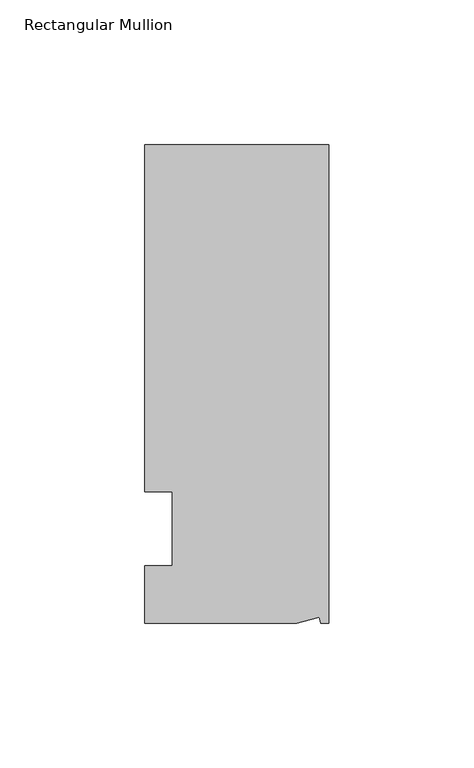
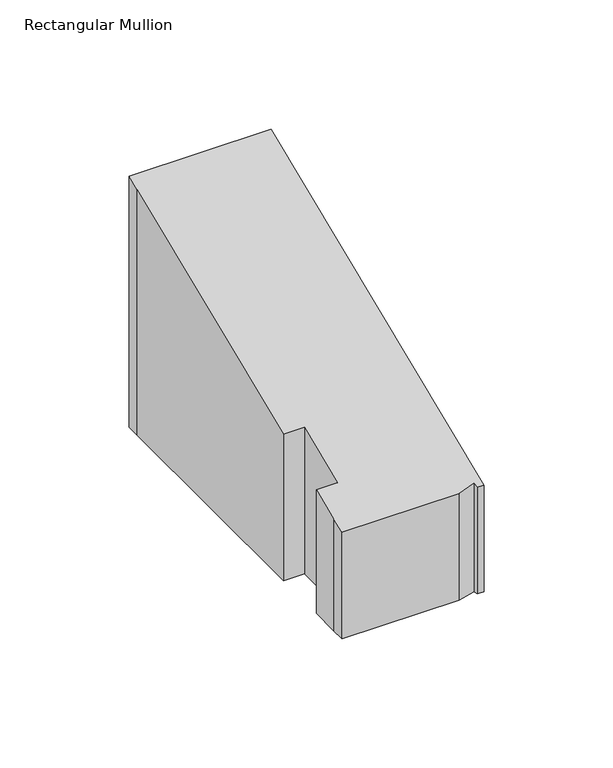
"""IFC4 building model written with IfcOpenShell, lengths in millimetres: member geometry, Rectangular Mullion."""

from ifc_helpers import new_model, si_unit, origin, place, context, project, spatial, faceted_brep, source, transform, mapped, element, save


def rectangular_mullion_386f426d(model_context):
    return source(origin(), model_context, "Body", "Brep", [
        faceted_brep([(0.0, 132.5561012, -63.8608936), (0.0, -32.5438988, -63.8608936), (-2.7630634, -32.5438988, -63.8608936), (-3.3223696, -30.4565397, -63.8608936), (-11.1125, -32.5438988, -63.8608936), (-63.5076469, -32.5438988, -63.8608936), (-63.5076469, -26.1938988, -63.8608936), (-63.5, -12.7, -63.8608936), (-53.975, -12.7, -63.8608936), (-53.975, 12.8488281, -63.8608936), (-63.5, 12.8488281, -63.8608936), (-63.5, 126.2061012, -63.8608936), (-63.5, 132.5561012, -63.8608936), (0.0, 132.5561012, 54.9065349), (0.0, -32.5438988, -13.4801243), (-63.5, 132.5561012, 54.9065349), (-63.5, 12.8488281, 5.3221589), (-63.5, 126.2061012, 52.2762788), (-53.975, 12.8488281, 5.3221589), (-53.975, -12.7, -5.2605122), (-63.5, -12.7, -5.2605122), (-63.5, -26.1938988, -10.8498681), (-11.1125, -32.5438988, -13.4801243), (-63.5076469, -32.5438988, -13.4801243), (-3.3223696, -30.4565397, -12.6155118), (-2.7630634, -32.5438988, -13.4801243)], [[[0, 1, 2, 3, 4, 5, 6, 7, 8, 9, 10, 11, 12]], [[13, 14, 1, 0]], [[15, 13, 0, 12]], [[16, 17, 11, 10]], [[18, 16, 10, 9]], [[19, 18, 9, 8]], [[20, 19, 8, 7]], [[21, 20, 7, 6]], [[22, 23, 5, 4]], [[24, 22, 4, 3]], [[25, 24, 3, 2]], [[14, 25, 2, 1]], [[13, 15, 17, 16, 18, 19, 20, 21, 23, 22, 24, 25, 14]], [[17, 15, 12, 11]], [[23, 21, 6, 5]]]),
    ])


if __name__ == "__main__":
    model = new_model("IFC4")
    model_context = context("Model", 3, world=origin())
    ifc_project = project(units=[si_unit("LENGTHUNIT", "METRE", prefix="MILLI")], contexts=[model_context])
    site = spatial("IfcSite", under=ifc_project)
    building = spatial("IfcBuilding", under=site)
    placement = place(None, origin())
    rectangular_mullion_shape = rectangular_mullion_386f426d(model_context)
    element("IfcMember", 1, ObjectType="Rectangular Mullion", at=placement, inside=building, context=model_context, shape_type="MappedRepresentation", body=[
        mapped(rectangular_mullion_shape, transform((0.0, 0.0, 0.0), x_axis=(1.0, 0.0, 0.0), y_axis=(0.0, 1.0, 0.0), z_axis=(0.0, 0.0, 1.0))),
    ])
    save(model, "model.ifc")
